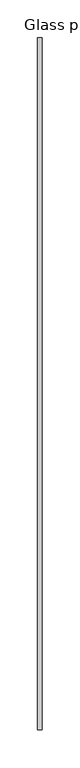
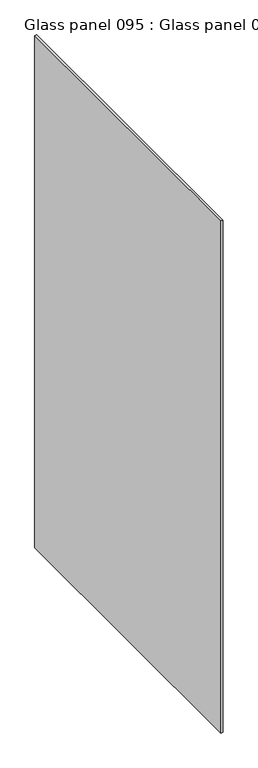
"""IFC4 building model written with IfcOpenShell, lengths in millimetres: proxy geometry, Glass panel 095 : Glass panel 095."""

from ifc_helpers import new_model, si_unit, frame, origin, place, context, project, spatial, polyline, outline, extrude, source, transform, mapped, element, save


def glass_panel_095_glass_panel_095_235ff964(model_context):
    return source(origin(), model_context, "Body", "SweptSolid", [
        extrude(outline(polyline([(37592.9902244, -19576.8264269), (37587.2498242, -19576.8264269), (37587.2498242, -18662.4264268), (37592.9902244, -18662.4264268), (37592.9902244, -19576.8264269)])), frame((0.0, 0.0, 1377.9246), z_axis=(0.0, 0.0, 1.0), x_axis=(1.0, 0.0, 0.0)), (0.0, 0.0, 1.0), 1533.5504),
    ])


if __name__ == "__main__":
    model = new_model("IFC4")
    model_context = context("Model", 3, world=origin())
    ifc_project = project(units=[si_unit("LENGTHUNIT", "METRE", prefix="MILLI")], contexts=[model_context])
    site = spatial("IfcSite", under=ifc_project)
    building = spatial("IfcBuilding", under=site)
    placement = place(None, origin())
    glass_panel_095_glass_panel_095_shape = glass_panel_095_glass_panel_095_235ff964(model_context)
    element("IfcBuildingElementProxy", 1, Name="Glass panel 095 : Glass panel 095", ObjectType="Glass panel 095 : Glass panel 095", at=placement, inside=building, context=model_context, shape_type="MappedRepresentation", body=[
        mapped(glass_panel_095_glass_panel_095_shape, transform((0.0, 0.0, 0.0), x_axis=(1.0, 0.0, 0.0), y_axis=(0.0, 1.0, 0.0), z_axis=(0.0, 0.0, 1.0))),
    ])
    save(model, "model.ifc")
